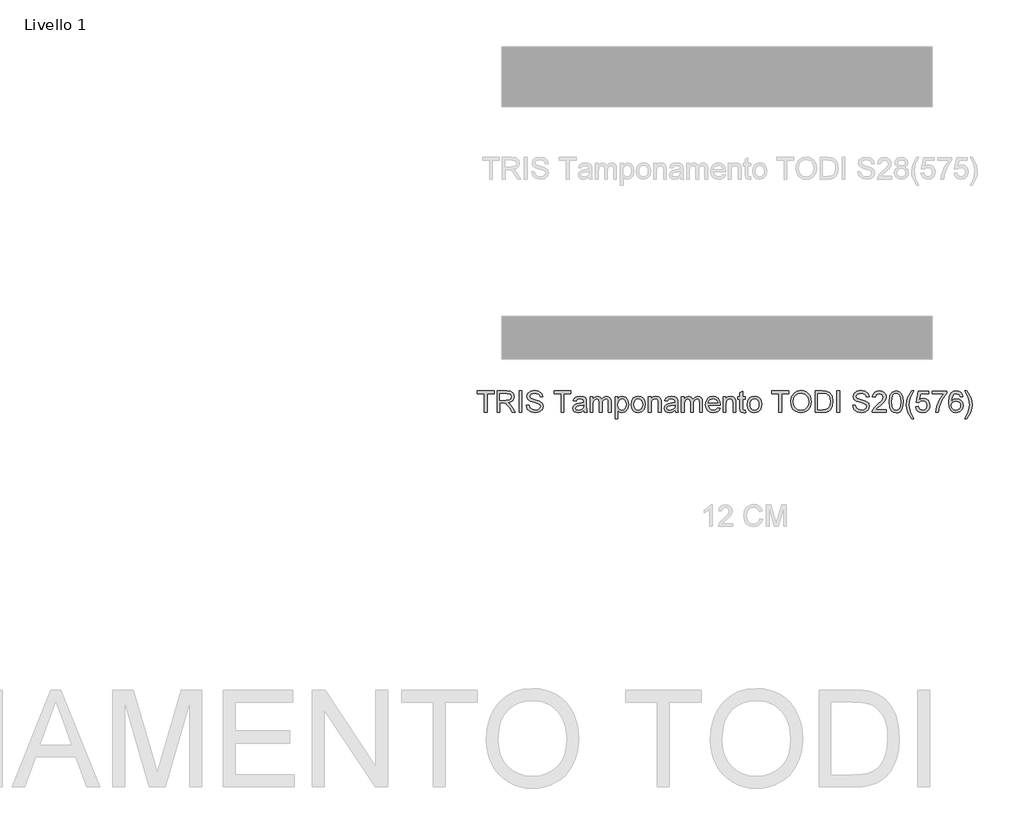
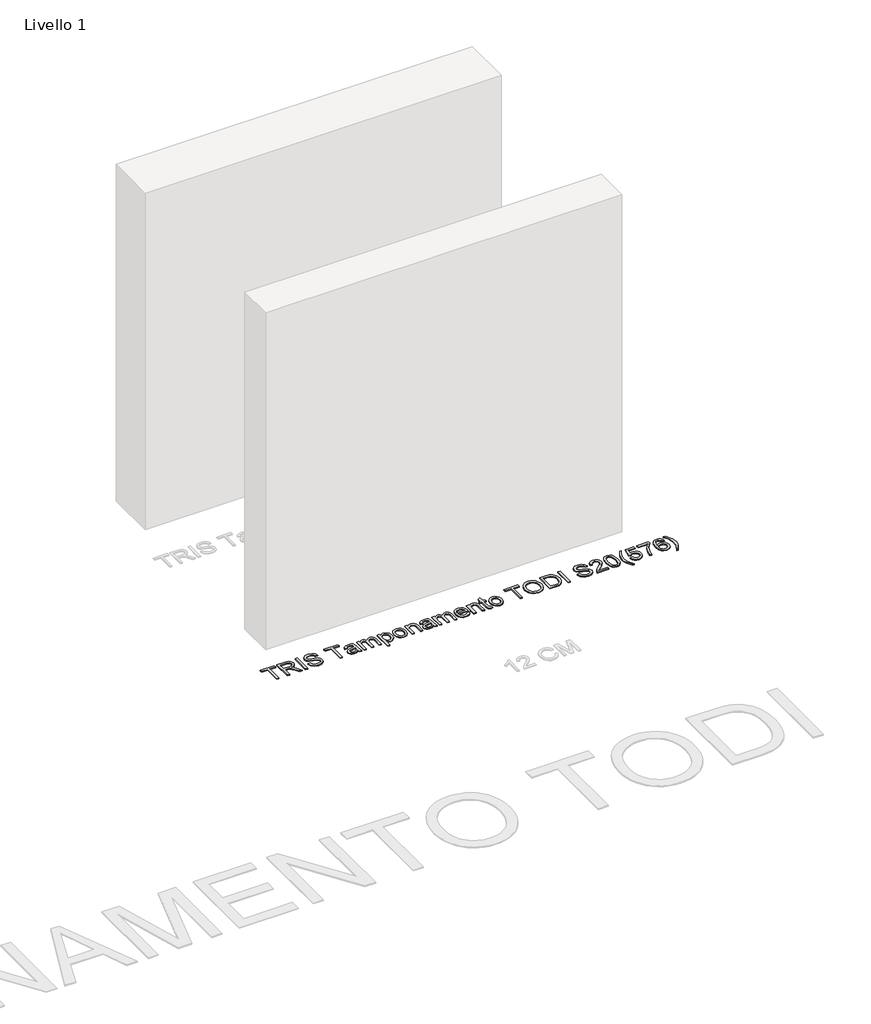
# One storey, part 9 of 18: 1 proxy.
"""IFC4 building model written with IfcOpenShell, lengths in millimetres."""

import ifcopenshell
import ifcopenshell.guid

model = None  # the IFC model being written
_history = None  # IfcOwnerHistory: only IFC2X3 demands one
_inside = {}  # id of a spatial element -> (the spatial element, [elements in it])
_under = {}  # id of a project, library or spatial element -> (it, [spatial elements below it])
_declared = {}  # id of a project -> (the project, [libraries it declares])
_typed = {}  # id of a type object -> (the type object, [elements of that type])
_made_of = {}  # id of a material, layer set ... -> (it, [elements and type objects made of it])


def new_model(schema):
    """Start an empty IFC model of exactly this schema.

    Asked for "IFC4X3", IfcOpenShell would pick the latest addendum, in which some entities
    have other attributes; the version numbers below select the first issue.
    IFC2X3 requires an IfcOwnerHistory on every rooted entity: one is made here for all.
    """
    global model, _history
    if schema == "IFC4X3":
        model = ifcopenshell.file(schema_version=(4, 3, 0, 0))
    else:
        model = ifcopenshell.file(schema=schema)
    _inside.clear()
    _under.clear()
    _declared.clear()
    _typed.clear()
    _made_of.clear()
    _history = None
    if model.schema == "IFC2X3":
        org = make("IfcOrganization", Name="unknown")
        user = make(
            "IfcPersonAndOrganization",
            ThePerson=make("IfcPerson", FamilyName="unknown"),
            TheOrganization=org,
        )
        app = make(
            "IfcApplication",
            ApplicationDeveloper=org,
            Version="unknown",
            ApplicationFullName="unknown",
            ApplicationIdentifier="unknown",
        )
        _history = make(
            "IfcOwnerHistory",
            OwningUser=user,
            OwningApplication=app,
            ChangeAction="ADDED",
            CreationDate=0,
        )
    return model


def make(cls, **values):
    """One entity of the class cls with the attributes given. An attribute that is None is left unset."""
    return model.create_entity(
        cls, **{name: value for name, value in values.items() if value is not None}
    )


def rooted(cls, **values):
    """An entity with a GlobalId (a new one), such as an element, a storey or a relation."""
    return make(cls, GlobalId=ifcopenshell.guid.new(), OwnerHistory=_history, **values)


def si_unit(unit_type, name, prefix=None):
    """IfcSIUnit, for example si_unit("LENGTHUNIT", "METRE", prefix="MILLI")."""
    return make("IfcSIUnit", UnitType=unit_type, Prefix=prefix, Name=name)


def assignment(units):
    """IfcUnitAssignment: the units of a project."""
    return None if units is None else make("IfcUnitAssignment", Units=units)


def point(xyz):
    """IfcCartesianPoint."""
    return None if xyz is None else make("IfcCartesianPoint", Coordinates=xyz)


def direction(xyz):
    """IfcDirection."""
    return None if xyz is None else make("IfcDirection", DirectionRatios=xyz)


def frame(location, z_axis=None, x_axis=None):
    """IfcAxis2Placement3D, a coordinate frame: its origin and axes. An axis left out is left unset."""
    return make(
        "IfcAxis2Placement3D",
        Location=point(location),
        Axis=direction(z_axis),
        RefDirection=direction(x_axis),
    )


def origin():
    """The frame at (0, 0, 0) with its axes left unset."""
    return frame((0.0, 0.0, 0.0))


def origin_with_axes():
    """The frame at (0, 0, 0) with the z axis (0, 0, 1) and the x axis (1, 0, 0) written out."""
    return frame((0.0, 0.0, 0.0), z_axis=(0.0, 0.0, 1.0), x_axis=(1.0, 0.0, 0.0))


def place(relative_to, where):
    """IfcLocalPlacement: puts the frame where relative to a parent placement (None: the world)."""
    return make(
        "IfcLocalPlacement", PlacementRelTo=relative_to, RelativePlacement=where
    )


def context(
    kind, dimensions, precision=None, world=None, true_north=None, identifier=None
):
    """IfcGeometricRepresentationContext, for example the 3D "Model" context."""
    return make(
        "IfcGeometricRepresentationContext",
        ContextIdentifier=identifier,
        ContextType=kind,
        CoordinateSpaceDimension=dimensions,
        Precision=precision,
        WorldCoordinateSystem=world,
        TrueNorth=true_north,
    )


def project(units=None, contexts=None):
    """IfcProject with its units and contexts."""
    return rooted(
        "IfcProject",
        Name="project",
        RepresentationContexts=contexts,
        UnitsInContext=assignment(units),
    )


def spatial(cls, under=None, at=None, **own):
    """A site, building, storey or space (cls), placed at a placement, below another one or the project."""
    s = rooted(cls, ObjectPlacement=at, **own)
    if under is not None:
        _under.setdefault(under.id(), (under, []))[1].append(s)
    return s


def polyline(points):
    """IfcPolyline through the points."""
    return make("IfcPolyline", Points=[point(p) for p in points])


def outline(outer, holes=None, kind="AREA"):
    """IfcArbitraryClosedProfileDef: a profile drawn as a closed curve; with holes, ...WithVoids."""
    if holes is None:
        return make("IfcArbitraryClosedProfileDef", ProfileType=kind, OuterCurve=outer)
    return make(
        "IfcArbitraryProfileDefWithVoids",
        ProfileType=kind,
        OuterCurve=outer,
        InnerCurves=holes,
    )


def extrude(swept, where, along, depth):
    """IfcExtrudedAreaSolid: the profile swept, set in the frame where, extruded along a direction by depth."""
    return make(
        "IfcExtrudedAreaSolid",
        SweptArea=swept,
        Position=where,
        ExtrudedDirection=direction(along),
        Depth=depth,
    )


def shape(context_of_items, identifier, shape_type, items):
    """IfcShapeRepresentation: the items that make up one representation, for example the "Body"."""
    return make(
        "IfcShapeRepresentation",
        ContextOfItems=context_of_items,
        RepresentationIdentifier=identifier,
        RepresentationType=shape_type,
        Items=items,
    )


def made_of(thing, what):
    """Note that an element or type object is made of a material, layer set ...; save() writes the relation."""
    if what is not None:
        _made_of.setdefault(what.id(), (what, []))[1].append(thing)
    return thing


def element(
    cls,
    number,
    at=None,
    inside=None,
    cuts=None,
    type_object=None,
    material=None,
    context=None,
    identifier="Body",
    shape_type=None,
    held_by="IfcProductDefinitionShape",
    body=None,
    shapes=None,
    **own,
):
    """One element of the class cls, such as IfcWall. Its Tag is "e" and its number.

    at: its placement. inside: the storey or other place that contains it. cuts: it is an
    opening in that element (IfcRelVoidsElement). A single representation is given by context,
    identifier, shape_type and body (its items); several are given by shapes. held_by: the class
    of the entity that holds the representations. save() writes the other relations.
    """
    e = rooted(cls, Tag="e%d" % number, ObjectPlacement=at, **own)
    if body is not None:
        shapes = [shape(context, identifier, shape_type, body)]
    if shapes is not None:
        e.Representation = make(held_by, Representations=shapes)
    if inside is not None:
        _inside.setdefault(inside.id(), (inside, []))[1].append(e)
    if cuts is not None:
        rooted(
            "IfcRelVoidsElement", RelatingBuildingElement=cuts, RelatedOpeningElement=e
        )
    if type_object is not None:
        _typed.setdefault(type_object.id(), (type_object, []))[1].append(e)
    return made_of(e, material)


def aggregate(whole, parts):
    """IfcRelAggregates: a whole, such as a stair, and the parts it consists of."""
    return rooted("IfcRelAggregates", RelatingObject=whole, RelatedObjects=parts)


def save(model, path):
    """Write the relations noted so far, then the file.

    IfcRelAggregates (storeys below a building ...), IfcRelContainedInSpatialStructure (elements
    in a storey), IfcRelDefinesByType, IfcRelAssociatesMaterial and IfcRelDeclares: one each for
    every whole, place, type object, material and project.
    """
    for whole, parts in _under.values():
        aggregate(whole, parts)
    for where, things in _inside.values():
        rooted(
            "IfcRelContainedInSpatialStructure",
            RelatedElements=things,
            RelatingStructure=where,
        )
    for kind, things in _typed.values():
        rooted("IfcRelDefinesByType", RelatedObjects=things, RelatingType=kind)
    for what, things in _made_of.values():
        rooted("IfcRelAssociatesMaterial", RelatedObjects=things, RelatingMaterial=what)
    for by, libraries in _declared.values():
        rooted("IfcRelDeclares", RelatingContext=by, RelatedDefinitions=libraries)
    model.write(path)


model = new_model("IFC4")

# Units and contexts
model_context = context("Model", 3, world=origin())
ifc_project = project(units=[si_unit("LENGTHUNIT", "METRE", prefix="MILLI")], contexts=[model_context])

# Site, building, storey
site = spatial("IfcSite", under=ifc_project)
building = spatial("IfcBuilding", under=site)
storey = spatial("IfcBuildingStorey", under=building, Name="Livello 1", Elevation=0.0)

# Proxy
placement = place(None, origin())
element("IfcBuildingElementProxy", 1, Name="100", ObjectType="100", at=placement, inside=storey, context=model_context, shape_type="SweptSolid", body=[
    extrude(outline(polyline([(3300.500753, -4308.1404488), (3300.500753, -4220.2411774), (3267.5385263, -4220.2411774), (3267.5385263, -4207.6841386), (3346.0200186, -4207.6841386), (3346.0200186, -4220.2411774), (3313.0577918, -4220.2411774), (3313.0577918, -4308.1404488), (3300.500753, -4308.1404488)])), origin_with_axes(), (0.0, 0.0, 1.0), 5.0),
    extrude(outline(polyline([(3360.1466872, -4308.1404488), (3360.1466872, -4207.6841386), (3403.4341353, -4207.6841386), (3423.532755, -4210.3942026), (3434.5201639, -4219.98366), (3438.6281795, -4235.1771864), (3436.9267253, -4245.0732121), (3431.8223626, -4253.2769806), (3423.1618073, -4259.2918512), (3410.7917752, -4262.6211832), (3417.9286859, -4267.9922604), (3428.1067544, -4280.9171811), (3444.857648, -4308.1404488), (3430.2649955, -4308.1404488), (3417.1929219, -4287.3183278), (3407.7506174, -4273.5350158), (3401.1164787, -4267.0235044), (3395.1445277, -4264.6322715), (3387.8604642, -4264.1908131), (3372.703726, -4264.1908131), (3372.703726, -4308.1404488), (3360.1466872, -4308.1404488)]), holes=[polyline([(3372.703726, -4251.6337743), (3400.8099104, -4251.6337743), (3415.1450455, -4249.855678), (3423.2875003, -4244.1657698), (3426.0711407, -4235.6431703), (3420.7613773, -4224.5821849), (3403.9736956, -4220.2411774), (3372.703726, -4220.2411774), (3372.703726, -4251.6337743)])]), origin_with_axes(), (0.0, 0.0, 1.0), 5.0),
    extrude(outline(polyline([(3462.1726272, -4308.1404488), (3462.1726272, -4207.6841386), (3474.729666, -4207.6841386), (3474.729666, -4308.1404488), (3462.1726272, -4308.1404488)])), origin_with_axes(), (0.0, 0.0, 1.0), 5.0),
    extrude(outline(polyline([(3495.134854, -4273.6085922), (3507.6918927, -4273.6085922), (3511.7385947, -4286.1778937), (3521.6223576, -4294.1241448), (3536.6809939, -4297.1530398), (3549.8021184, -4294.8599087), (3558.2756671, -4288.5568639), (3561.0593075, -4280.1323662), (3558.9746429, -4272.2964797), (3550.4397806, -4266.5943088), (3532.1560454, -4261.7995801), (3512.4743587, -4255.6068999), (3501.7935181, -4246.2626972), (3498.2741137, -4233.7792348), (3502.6273839, -4219.5667271), (3515.3438382, -4209.5358113), (3533.9586672, -4206.1145088), (3553.8242949, -4209.6952269), (3567.0680467, -4220.2166519), (3572.0467164, -4235.9374758), (3559.4896776, -4235.9374758), (3557.1842838, -4228.4449459), (3552.3772924, -4223.0370806), (3534.4491765, -4218.6715475), (3516.4720097, -4222.9880296), (3510.8311524, -4233.4113528), (3514.8288034, -4242.1178934), (3535.3320933, -4249.1321767), (3557.5521658, -4255.4352216), (3569.7045344, -4265.6132901), (3573.6163463, -4279.8135351), (3569.1159232, -4294.8353833), (3556.166477, -4305.7982667), (3537.1715033, -4309.7100786), (3514.7429643, -4305.4916984), (3500.554982, -4292.7875068), (3495.134854, -4273.6085922)])), origin_with_axes(), (0.0, 0.0, 1.0), 5.0),
    extrude(outline(polyline([(3656.8067281, -4308.1404488), (3656.8067281, -4220.2411774), (3623.8445013, -4220.2411774), (3623.8445013, -4207.6841386), (3702.3259936, -4207.6841386), (3702.3259936, -4220.2411774), (3669.3637669, -4220.2411774), (3669.3637669, -4308.1404488), (3656.8067281, -4308.1404488)])), origin_with_axes(), (0.0, 0.0, 1.0), 5.0),
    extrude(outline(polyline([(3761.9719278, -4298.7226697), (3749.7950338, -4307.2330065), (3736.3428155, -4309.7100786), (3725.8489816, -4308.2201565), (3718.1081312, -4303.7503903), (3713.3348623, -4296.9629675), (3711.7437727, -4288.5200757), (3714.1472684, -4278.5872618), (3720.462576, -4271.3767747), (3729.2549557, -4267.2564964), (3740.1197373, -4265.3680355), (3761.8983514, -4261.0515534), (3761.9719278, -4258.2556502), (3758.513837, -4248.9850239), (3744.6324231, -4245.3552549), (3731.9282315, -4247.7710134), (3725.8704413, -4256.3426638), (3713.3134026, -4254.773034), (3718.7457934, -4242.5103008), (3729.6841514, -4235.3243392), (3746.2511039, -4232.7982162), (3761.4691557, -4235.0300336), (3770.0653317, -4240.6341027), (3773.9158299, -4249.1567022), (3774.5289666, -4260.1441111), (3774.5289666, -4275.7668332), (3775.1666287, -4297.5822355), (3777.6682263, -4308.1404488), (3765.1111875, -4308.1404488), (3761.9719278, -4298.7226697)]), holes=[polyline([(3761.9719278, -4273.6085922), (3741.7138926, -4277.4590904), (3730.9104247, -4279.4947041), (3726.0175941, -4282.805642), (3724.3008115, -4287.6371589), (3728.0409451, -4294.4307131), (3739.0160913, -4297.1530398), (3751.7202829, -4294.1486702), (3759.9117886, -4286.8768694), (3761.8983514, -4277.1647848), (3761.9719278, -4273.6085922)])]), origin_with_axes(), (0.0, 0.0, 1.0), 5.0),
    extrude(outline(polyline([(3791.7948949, -4308.1404488), (3791.7948949, -4234.367846), (3804.3519336, -4234.367846), (3804.3519336, -4246.5079518), (3812.9848978, -4236.5628752), (3825.2721564, -4232.7982162), (3837.8537207, -4236.6364516), (3844.7699022, -4247.3908686), (3854.567826, -4236.4463793), (3866.9409238, -4232.7982162), (3876.3801626, -4234.3157294), (3883.3607235, -4238.8682691), (3887.6741399, -4246.5784626), (3889.1119453, -4257.5689372), (3889.1119453, -4308.1404488), (3876.5549066, -4308.1404488), (3876.5549066, -4262.9645398), (3875.3899469, -4252.4799029), (3871.1715667, -4247.3172922), (3863.9978678, -4245.3552549), (3851.6492955, -4250.3829755), (3847.9612785, -4256.9251437), (3846.7319395, -4266.4962069), (3846.7319395, -4308.1404488), (3834.1749007, -4308.1404488), (3834.1749007, -4261.5665882), (3831.268633, -4249.4019569), (3821.7404893, -4245.3552549), (3812.4453375, -4248.0530562), (3806.26492, -4255.9502564), (3804.3519336, -4270.9353163), (3804.3519336, -4308.1404488), (3791.7948949, -4308.1404488)])), origin_with_axes(), (0.0, 0.0, 1.0), 5.0),
    extrude(outline(polyline([(3907.9475035, -4336.393786), (3907.9475035, -4234.367846), (3920.5045422, -4234.367846), (3920.5045422, -4246.6796301), (3929.1865573, -4236.2685696), (3940.9097302, -4232.7982162), (3956.8267579, -4237.6542585), (3967.2255556, -4251.3394687), (3970.7326973, -4270.6900617), (3966.7718345, -4291.033936), (3955.2693908, -4304.8908245), (3939.3891513, -4309.7100786), (3928.4630561, -4306.4849798), (3920.5045422, -4298.3302622), (3920.5045422, -4336.393786), (3907.9475035, -4336.393786)]), holes=[polyline([(3920.5045422, -4271.8427586), (3921.8626399, -4283.0999476), (3925.936933, -4290.9726223), (3931.948738, -4295.6079355), (3939.1193712, -4297.1530398), (3946.4065004, -4295.5527532), (3952.5715895, -4290.7518931), (3956.7746413, -4282.5910442), (3958.1756586, -4270.9107909), (3956.8083638, -4259.7149155), (3952.7064796, -4251.7318762), (3946.7038717, -4246.9494102), (3939.634406, -4245.3552549), (3932.5373492, -4247.0505778), (3926.304815, -4252.1365464), (3921.9546104, -4260.4537451), (3920.5045422, -4271.8427586)])]), origin_with_axes(), (0.0, 0.0, 1.0), 5.0),
    extrude(outline(polyline([(3981.7201062, -4271.2541474), (3984.4363016, -4253.4670529), (3992.5848878, -4240.9651964), (4002.6525918, -4234.8399612), (4014.7068585, -4232.7982162), (4027.8984937, -4235.2844853), (4038.4352472, -4242.7432928), (4045.3422316, -4254.5860273), (4047.6445598, -4270.2240778), (4043.5733324, -4292.5667776), (4031.7152694, -4305.2096555), (4014.7068585, -4309.7100786), (4001.3558077, -4307.2330065), (3990.831317, -4299.8017902), (3983.9979089, -4287.7107353), (3981.7201062, -4271.2541474)]), holes=[polyline([(3994.277145, -4271.2296219), (3995.7302789, -4282.5941099), (4000.0896805, -4290.6905795), (4006.6502428, -4295.5374247), (4014.7068585, -4297.1530398), (4022.726686, -4295.5282277), (4029.2749855, -4290.6537913), (4033.6343871, -4282.4500228), (4035.087521, -4270.8372145), (4033.6251901, -4259.8038203), (4029.2381973, -4251.8177153), (4022.6807007, -4246.97087), (4014.7068585, -4245.3552549), (4006.6502428, -4246.9647387), (4000.0896805, -4251.7931898), (3995.7302789, -4259.8712653), (3994.277145, -4271.2296219)])]), origin_with_axes(), (0.0, 0.0, 1.0), 5.0),
    extrude(outline(polyline([(4061.7712284, -4308.1404488), (4061.7712284, -4234.367846), (4074.3282672, -4234.367846), (4074.3282672, -4244.6685419), (4083.9299872, -4235.7657976), (4097.038849, -4232.7982162), (4108.896912, -4235.1894491), (4116.9903159, -4241.4679685), (4120.754975, -4250.7018066), (4121.4171625, -4262.8419124), (4121.4171625, -4308.1404488), (4108.8601238, -4308.1404488), (4108.8601238, -4264.5341696), (4107.4131213, -4253.4241334), (4102.2995615, -4247.5502842), (4093.6788601, -4245.3552549), (4080.0549636, -4250.2848737), (4075.7599413, -4257.4279157), (4074.3282672, -4268.9978045), (4074.3282672, -4308.1404488), (4061.7712284, -4308.1404488)])), origin_with_axes(), (0.0, 0.0, 1.0), 5.0),
    extrude(outline(polyline([(4185.7719862, -4298.7226697), (4173.5950922, -4307.2330065), (4160.1428739, -4309.7100786), (4149.64904, -4308.2201565), (4141.9081897, -4303.7503903), (4137.1349208, -4296.9629675), (4135.5438312, -4288.5200757), (4137.9473269, -4278.5872618), (4144.2626344, -4271.3767747), (4153.0550141, -4267.2564964), (4163.9197957, -4265.3680355), (4185.6984098, -4261.0515534), (4185.7719862, -4258.2556502), (4182.3138955, -4248.9850239), (4168.4324815, -4245.3552549), (4155.72829, -4247.7710134), (4149.6704998, -4256.3426638), (4137.113461, -4254.773034), (4142.5458518, -4242.5103008), (4153.4842098, -4235.3243392), (4170.0511623, -4232.7982162), (4185.2692142, -4235.0300336), (4193.8653901, -4240.6341027), (4197.7158883, -4249.1567022), (4198.329025, -4260.1441111), (4198.329025, -4275.7668332), (4198.9666871, -4297.5822355), (4201.4682847, -4308.1404488), (4188.9112459, -4308.1404488), (4185.7719862, -4298.7226697)]), holes=[polyline([(4185.7719862, -4273.6085922), (4165.513951, -4277.4590904), (4154.7104831, -4279.4947041), (4149.8176526, -4282.805642), (4148.1008699, -4287.6371589), (4151.8410035, -4294.4307131), (4162.8161497, -4297.1530398), (4175.5203413, -4294.1486702), (4183.7118471, -4286.8768694), (4185.6984098, -4277.1647848), (4185.7719862, -4273.6085922)])]), origin_with_axes(), (0.0, 0.0, 1.0), 5.0),
    extrude(outline(polyline([(4215.5949533, -4308.1404488), (4215.5949533, -4234.367846), (4228.1519921, -4234.367846), (4228.1519921, -4246.5079518), (4236.7849562, -4236.5628752), (4249.0722149, -4232.7982162), (4261.6537791, -4236.6364516), (4268.5699606, -4247.3908686), (4278.3678844, -4236.4463793), (4290.7409822, -4232.7982162), (4300.1802211, -4234.3157294), (4307.1607819, -4238.8682691), (4311.4741983, -4246.5784626), (4312.9120038, -4257.5689372), (4312.9120038, -4308.1404488), (4300.354965, -4308.1404488), (4300.354965, -4262.9645398), (4299.1900054, -4252.4799029), (4294.9716251, -4247.3172922), (4287.7979262, -4245.3552549), (4275.4493539, -4250.3829755), (4271.7613369, -4256.9251437), (4270.5319979, -4266.4962069), (4270.5319979, -4308.1404488), (4257.9749592, -4308.1404488), (4257.9749592, -4261.5665882), (4255.0686914, -4249.4019569), (4245.5405477, -4245.3552549), (4236.245396, -4248.0530562), (4230.0649785, -4255.9502564), (4228.1519921, -4270.9353163), (4228.1519921, -4308.1404488), (4215.5949533, -4308.1404488)])), origin_with_axes(), (0.0, 0.0, 1.0), 5.0),
    extrude(outline(polyline([(4383.398194, -4286.1656309), (4395.7099782, -4287.7352608), (4391.2739344, -4297.0120184), (4384.1952717, -4303.946594), (4374.6334055, -4308.2692075), (4362.7477514, -4309.7100786), (4348.0140775, -4307.2238095), (4336.6771807, -4299.765002), (4329.4482995, -4287.8180342), (4327.0386724, -4271.867284), (4329.4728249, -4255.3800393), (4336.7752825, -4243.0498611), (4347.9588952, -4235.3611274), (4362.0365129, -4232.7982162), (4375.6757378, -4235.354996), (4386.5742419, -4243.0253356), (4393.7203497, -4255.3309884), (4396.1023856, -4271.7937076), (4396.0288092, -4275.178222), (4339.5957112, -4275.178222), (4341.7692806, -4284.577607), (4346.818461, -4291.4876571), (4354.1055902, -4295.7366942), (4362.993006, -4297.1530398), (4375.3047902, -4294.5288149), (4383.398194, -4286.1656309)]), holes=[polyline([(4339.5957112, -4262.6211832), (4383.5453468, -4262.6211832), (4378.5176262, -4251.2413668), (4371.1967745, -4246.8267829), (4361.9874619, -4245.3552549), (4346.5241554, -4250.0518817), (4341.658916, -4255.5425205), (4339.5957112, -4262.6211832)])]), origin_with_axes(), (0.0, 0.0, 1.0), 5.0),
    extrude(outline(polyline([(4408.6594244, -4308.1404488), (4408.6594244, -4234.367846), (4421.2164632, -4234.367846), (4421.2164632, -4244.6685419), (4430.8181832, -4235.7657976), (4443.927045, -4232.7982162), (4455.785108, -4235.1894491), (4463.8785119, -4241.4679685), (4467.6431709, -4250.7018066), (4468.3053585, -4262.8419124), (4468.3053585, -4308.1404488), (4455.7483198, -4308.1404488), (4455.7483198, -4264.5341696), (4454.3013173, -4253.4241334), (4449.1877575, -4247.5502842), (4440.5670561, -4245.3552549), (4426.9431595, -4250.2848737), (4422.6481372, -4257.4279157), (4421.2164632, -4268.9978045), (4421.2164632, -4308.1404488), (4408.6594244, -4308.1404488)])), origin_with_axes(), (0.0, 0.0, 1.0), 5.0),
    extrude(outline(polyline([(4512.2549942, -4297.6680746), (4513.8246241, -4308.5083308), (4504.4313705, -4309.7100786), (4493.9099454, -4307.625414), (4488.6614956, -4302.156235), (4487.1409167, -4287.906939), (4487.1409167, -4246.9248848), (4477.7231376, -4246.9248848), (4477.7231376, -4234.367846), (4487.1409167, -4234.367846), (4487.1409167, -4216.4397301), (4499.6979555, -4209.0575647), (4499.6979555, -4234.367846), (4512.2549942, -4234.367846), (4512.2549942, -4246.9248848), (4499.6979555, -4246.9248848), (4499.6979555, -4287.539057), (4500.360143, -4294.0137802), (4502.5061214, -4296.3069113), (4506.7858152, -4297.1530398), (4512.2549942, -4297.6680746)])), origin_with_axes(), (0.0, 0.0, 1.0), 5.0),
    extrude(outline(polyline([(4521.6727733, -4271.2541474), (4524.3889687, -4253.4670529), (4532.5375549, -4240.9651964), (4542.6052588, -4234.8399612), (4554.6595255, -4232.7982162), (4567.8511607, -4235.2844853), (4578.3879142, -4242.7432928), (4585.2948987, -4254.5860273), (4587.5972268, -4270.2240778), (4583.5259994, -4292.5667776), (4571.6679364, -4305.2096555), (4554.6595255, -4309.7100786), (4541.3084748, -4307.2330065), (4530.783984, -4299.8017902), (4523.950576, -4287.7107353), (4521.6727733, -4271.2541474)]), holes=[polyline([(4534.2298121, -4271.2296219), (4535.682946, -4282.5941099), (4540.0423476, -4290.6905795), (4546.6029098, -4295.5374247), (4554.6595255, -4297.1530398), (4562.679353, -4295.5282277), (4569.2276525, -4290.6537913), (4573.5870542, -4282.4500228), (4575.0401881, -4270.8372145), (4573.5778571, -4259.8038203), (4569.1908643, -4251.8177153), (4562.6333678, -4246.97087), (4554.6595255, -4245.3552549), (4546.6029098, -4246.9647387), (4540.0423476, -4251.7931898), (4535.682946, -4259.8712653), (4534.2298121, -4271.2296219)])]), origin_with_axes(), (0.0, 0.0, 1.0), 5.0),
    extrude(outline(polyline([(4667.648349, -4308.1404488), (4667.648349, -4220.2411774), (4634.6861222, -4220.2411774), (4634.6861222, -4207.6841386), (4713.1676145, -4207.6841386), (4713.1676145, -4220.2411774), (4680.2053878, -4220.2411774), (4680.2053878, -4308.1404488), (4667.648349, -4308.1404488)])), origin_with_axes(), (0.0, 0.0, 1.0), 5.0),
    extrude(outline(polyline([(4722.5853936, -4259.2366689), (4725.9331198, -4237.0227277), (4735.9762982, -4220.2166519), (4751.3108461, -4209.6400446), (4770.5326803, -4206.1145088), (4783.7089871, -4207.7699778), (4795.5241305, -4212.7363847), (4805.334317, -4220.6642417), (4812.4957532, -4231.2040608), (4816.873549, -4243.8469387), (4818.3328142, -4258.083972), (4816.7969069, -4272.5110775), (4812.1891849, -4285.3317651), (4804.7641, -4295.8899783), (4794.7761038, -4303.5296611), (4783.0621279, -4308.1649742), (4770.4591039, -4309.7100786), (4757.080462, -4308.002493), (4745.1978736, -4302.8797362), (4735.4122125, -4294.8047264), (4728.3243527, -4284.2403818), (4722.5853936, -4259.2366689)]), holes=[polyline([(4735.1424324, -4259.3592962), (4737.653227, -4275.0739888), (4745.1856108, -4287.0485477), (4756.5071792, -4294.6269168), (4770.3855275, -4297.1530398), (4784.4662109, -4294.6023913), (4795.8061734, -4286.9504458), (4803.2833749, -4274.6080049), (4805.7757754, -4257.9858701), (4801.5083443, -4237.261851), (4789.0371447, -4223.5398526), (4770.6062567, -4218.6715475), (4757.0988561, -4221.0167953), (4745.6148065, -4228.0525384), (4737.7605259, -4240.5697233), (4735.1424324, -4259.3592962)])]), origin_with_axes(), (0.0, 0.0, 1.0), 5.0),
    extrude(outline(polyline([(4835.5987425, -4308.1404488), (4835.5987425, -4207.6841386), (4870.2532265, -4207.6841386), (4888.1813424, -4209.1311411), (4902.9456731, -4216.3171028), (4914.8405243, -4233.4849292), (4918.7891244, -4257.3727334), (4916.1158485, -4277.6430314), (4909.248718, -4292.272472), (4900.0761935, -4301.3836828), (4888.0709778, -4306.4236661), (4871.9209582, -4308.1404488), (4835.5987425, -4308.1404488)]), holes=[polyline([(4848.1557813, -4295.58341), (4870.3758538, -4295.58341), (4886.5381361, -4293.7685255), (4895.8578133, -4288.642703), (4903.4974961, -4276.1715034), (4906.2320856, -4257.1765297), (4904.892382, -4243.4913195), (4900.8732712, -4233.3868273), (4887.8379858, -4222.2522656), (4870.0324973, -4220.2411774), (4848.1557813, -4220.2411774), (4848.1557813, -4295.58341)])]), origin_with_axes(), (0.0, 0.0, 1.0), 5.0),
    extrude(outline(polyline([(4937.6246825, -4308.1404488), (4937.6246825, -4207.6841386), (4950.1817213, -4207.6841386), (4950.1817213, -4308.1404488), (4937.6246825, -4308.1404488)])), origin_with_axes(), (0.0, 0.0, 1.0), 5.0),
    extrude(outline(polyline([(5009.8276554, -4273.6085922), (5022.3846942, -4273.6085922), (5026.4313961, -4286.1778937), (5036.3151591, -4294.1241448), (5051.3737954, -4297.1530398), (5064.4949199, -4294.8599087), (5072.9684685, -4288.5568639), (5075.752109, -4280.1323662), (5073.6674443, -4272.2964797), (5065.132582, -4266.5943088), (5046.8488469, -4261.7995801), (5027.1671601, -4255.6068999), (5016.4863195, -4246.2626972), (5012.9669151, -4233.7792348), (5017.3201854, -4219.5667271), (5030.0366397, -4209.5358113), (5048.6514687, -4206.1145088), (5068.5170964, -4209.6952269), (5081.7608482, -4220.2166519), (5086.7395179, -4235.9374758), (5074.1824791, -4235.9374758), (5071.8770853, -4228.4449459), (5067.0700939, -4223.0370806), (5049.141978, -4218.6715475), (5031.1648112, -4222.9880296), (5025.5239539, -4233.4113528), (5029.5216049, -4242.1178934), (5050.0248948, -4249.1321767), (5072.2449673, -4255.4352216), (5084.3973359, -4265.6132901), (5088.3091477, -4279.8135351), (5083.8087247, -4294.8353833), (5070.8592784, -4305.7982667), (5051.8643047, -4309.7100786), (5029.4357658, -4305.4916984), (5015.2477835, -4292.7875068), (5009.8276554, -4273.6085922)])), origin_with_axes(), (0.0, 0.0, 1.0), 5.0),
    extrude(outline(polyline([(5166.79064, -4295.58341), (5166.79064, -4308.1404488), (5100.8661865, -4308.1404488), (5102.2150872, -4299.4829591), (5109.8425072, -4286.1533682), (5125.5633311, -4271.5975039), (5147.2438434, -4250.6772811), (5152.6639714, -4236.4525106), (5147.5504117, -4224.9378042), (5134.1962953, -4220.2411774), (5120.2780931, -4224.8274396), (5114.9928551, -4237.5071057), (5102.4358164, -4235.9374758), (5105.4800399, -4223.7912386), (5112.0620619, -4214.9191512), (5121.8385259, -4209.4928918), (5134.4660754, -4207.6841386), (5147.1855954, -4209.6952269), (5156.9436653, -4215.7284916), (5163.151674, -4224.7416005), (5165.2210102, -4235.6922212), (5162.9891928, -4247.5993351), (5155.5702392, -4259.9111192), (5137.5808096, -4277.1157338), (5123.1353099, -4289.194526), (5117.4699272, -4295.58341), (5166.79064, -4295.58341)])), origin_with_axes(), (0.0, 0.0, 1.0), 5.0),
    extrude(outline(polyline([(5179.3476788, -4258.7216341), (5183.0387615, -4229.818372), (5194.001645, -4213.1533176), (5212.3099056, -4207.6841386), (5226.9761345, -4210.9215002), (5237.1051521, -4220.2534401), (5242.991264, -4235.1158727), (5245.2721323, -4258.7216341), (5241.6178379, -4287.5022688), (5230.6917426, -4304.2041114), (5222.460383, -4308.3335868), (5212.3099056, -4309.7100786), (5199.2623575, -4307.3188456), (5189.3540691, -4300.1451467), (5181.8492764, -4283.1551299), (5179.3476788, -4258.7216341)]), holes=[polyline([(5191.9047176, -4258.6971086), (5193.3762456, -4278.4493061), (5197.7908295, -4289.8812391), (5204.3636545, -4295.3350897), (5212.3099056, -4297.1530398), (5220.2561567, -4295.3289583), (5226.8289817, -4289.8567136), (5231.2435656, -4278.4186492), (5232.7150936, -4258.6971086), (5231.2926165, -4239.3894352), (5227.0251854, -4227.8685974), (5220.4646231, -4222.1480324), (5212.1627528, -4220.2411774), (5204.3023408, -4221.9211718), (5197.9870332, -4226.9611552), (5193.4252965, -4239.1993629), (5191.9047176, -4258.6971086)])]), origin_with_axes(), (0.0, 0.0, 1.0), 5.0),
    extrude(outline(polyline([(5284.5128785, -4336.393786), (5266.6828645, -4306.9387009), (5261.2198168, -4289.7586117), (5259.398801, -4271.9653859), (5264.8434545, -4241.4311803), (5284.5128785, -4207.6841386), (5293.9306576, -4207.6841386), (5282.1829592, -4227.5742918), (5275.1196249, -4246.8513084), (5271.9558397, -4272.0389623), (5277.4495442, -4304.2286369), (5293.9306576, -4336.393786), (5284.5128785, -4336.393786)])), origin_with_axes(), (0.0, 0.0, 1.0), 5.0),
    extrude(outline(polyline([(5303.3484367, -4281.4567414), (5315.9054754, -4279.8871115), (5322.2330457, -4292.824295), (5335.3541702, -4297.1530398), (5344.3550164, -4295.6477893), (5351.0995196, -4291.1320379), (5355.3117685, -4284.1269515), (5356.7158514, -4275.1536965), (5351.4551389, -4260.242213), (5344.8485914, -4256.1403287), (5335.550374, -4254.773034), (5324.5261768, -4256.9558005), (5317.4751053, -4262.6211832), (5304.9180665, -4261.0515534), (5315.9054754, -4209.2537685), (5364.5640006, -4209.2537685), (5364.5640006, -4221.8108072), (5326.0590185, -4221.8108072), (5320.6879414, -4249.4755333), (5329.6581307, -4244.0308797), (5339.0575157, -4242.2159952), (5350.7898856, -4244.4662068), (5360.5295614, -4251.2168414), (5367.087058, -4261.5052745), (5369.2728902, -4274.3688816), (5367.3047215, -4286.9259204), (5361.4002155, -4297.6680746), (5350.0939755, -4306.6995776), (5335.3051193, -4309.7100786), (5322.9718754, -4307.7756325), (5313.1463605, -4301.972294), (5306.4110543, -4292.9745135), (5303.3484367, -4281.4567414)])), origin_with_axes(), (0.0, 0.0, 1.0), 5.0),
    extrude(outline(polyline([(5380.2602991, -4221.8108072), (5380.2602991, -4209.2537685), (5446.1847526, -4209.2537685), (5446.1847526, -4219.4073115), (5427.4840846, -4246.4221127), (5413.1734749, -4280.8436047), (5408.5136363, -4308.1404488), (5395.9565976, -4308.1404488), (5400.94753, -4279.8135351), (5414.6450029, -4247.7955388), (5433.6277139, -4221.8108072), (5380.2602991, -4221.8108072)])), origin_with_axes(), (0.0, 0.0, 1.0), 5.0),
    extrude(outline(polyline([(5521.5269853, -4234.367846), (5508.9699465, -4235.9374758), (5504.212006, -4225.4651017), (5491.6304418, -4220.2411774), (5480.2996763, -4223.2823352), (5471.7280258, -4234.6989398), (5468.1595705, -4257.0784278), (5479.2328185, -4247.0597748), (5492.954817, -4243.7856251), (5504.5553625, -4246.0235739), (5514.2919727, -4252.7374203), (5520.8954545, -4262.9951966), (5523.0966151, -4275.8649351), (5518.9518113, -4293.192177), (5507.5474694, -4305.4549102), (5491.0908815, -4309.7100786), (5476.8446513, -4306.88965), (5465.4985574, -4298.4283641), (5458.0765381, -4283.4923551), (5455.6025317, -4261.2477571), (5458.349384, -4236.2379128), (5466.5899406, -4219.1375314), (5477.8409983, -4210.5474868), (5492.4152567, -4207.6841386), (5503.4333225, -4209.4561036), (5512.256359, -4214.7719984), (5518.4367765, -4223.2148902), (5521.5269853, -4234.367846)]), holes=[polyline([(5468.1595705, -4275.6687313), (5471.0658383, -4286.5457757), (5478.7913602, -4294.4429758), (5490.1098629, -4297.1530398), (5498.3964048, -4295.7489569), (5504.9109818, -4291.5367081), (5509.1324277, -4284.9148321), (5510.5395763, -4276.281868), (5509.1508218, -4267.995326), (5504.9845582, -4261.6769528), (5498.3596166, -4257.6762361), (5489.5948281, -4256.3426638), (5474.4013017, -4261.6769528), (5469.7200033, -4267.8420419), (5468.1595705, -4275.6687313)])]), origin_with_axes(), (0.0, 0.0, 1.0), 5.0),
    extrude(outline(polyline([(5540.3625434, -4336.393786), (5530.9447643, -4336.393786), (5547.4258777, -4304.2286369), (5552.9195822, -4272.0389623), (5549.755797, -4247.0720376), (5542.7660391, -4227.7704956), (5530.9447643, -4207.6841386), (5540.3625434, -4207.6841386), (5560.0319674, -4241.4311803), (5565.4766209, -4271.9653859), (5563.646408, -4289.7586117), (5558.1557692, -4306.9387009), (5540.3625434, -4336.393786)])), origin_with_axes(), (0.0, 0.0, 1.0), 5.0),
])

save(model, "model.ifc")
